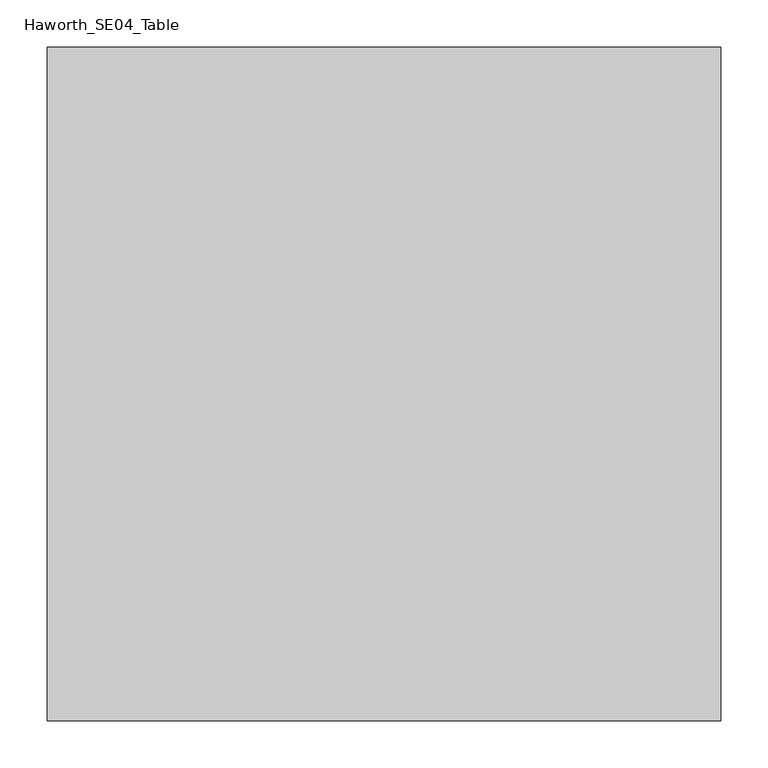
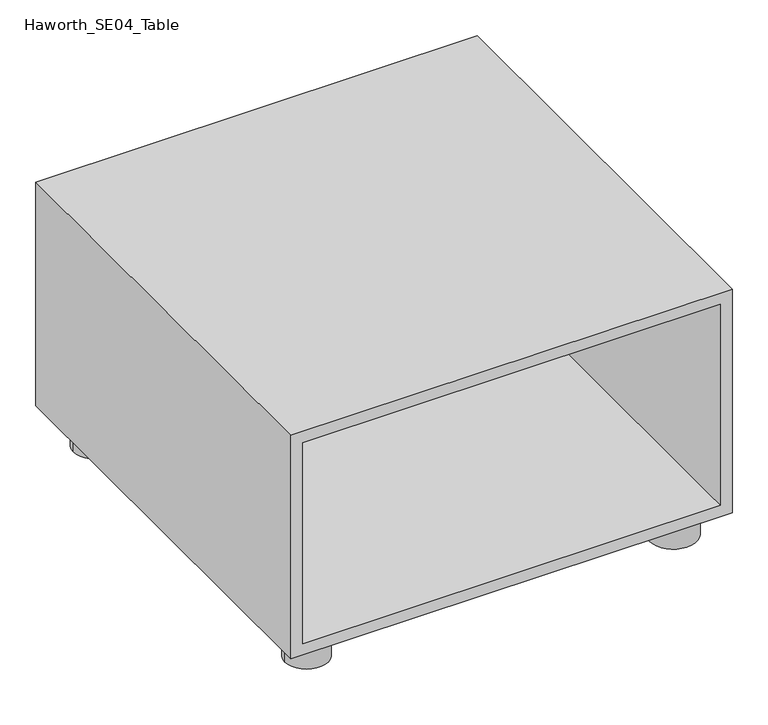
"""IFC4 building model written with IfcOpenShell, lengths in millimetres: furniture geometry, Haworth_SE04_Table."""

from ifc_helpers import new_model, si_unit, point, frame, frame_2d, origin, origin_with_axes, place, context, project, spatial, polyline, circle_curve, trimmed, segment, composite_curve, outline, extrude, source, transform, mapped, element, save


def haworth_se04_table_58ea95a2(model_context):
    return source(origin(), model_context, "Body", "SweptSolid", [
        extrude(outline(polyline([(431.8, -355.6), (50.8, -355.6), (50.8, 355.6), (431.8, 355.6), (431.8, -355.6)]), holes=[polyline([(412.75, -336.55), (412.75, 336.55), (69.85, 336.55), (69.85, -336.55), (412.75, -336.55)])]), frame((0.0, -355.6, 0.0), z_axis=(0.0, 1.0, 0.0), x_axis=(0.0, 0.0, 1.0)), (0.0, 0.0, 1.0), 711.2),
        extrude(outline(composite_curve([segment(trimmed(circle_curve(frame_2d((-295.275, 295.275)), 34.925), [point((-330.2, 295.275))], [point((-260.35, 295.275))], False, "CARTESIAN"), True, "CONTINUOUS"), segment(trimmed(circle_curve(frame_2d((-295.275, 295.275)), 34.925), [point((-260.35, 295.275))], [point((-330.2, 295.275))], False, "CARTESIAN"), True, "CONTINUOUS")], self_intersect=False)), origin_with_axes(), (0.0, 0.0, 1.0), 50.8),
        extrude(outline(composite_curve([segment(trimmed(circle_curve(frame_2d((295.275, 295.275)), 38.1), [point((257.175, 295.275))], [point((333.375, 295.275))], False, "CARTESIAN"), True, "CONTINUOUS"), segment(trimmed(circle_curve(frame_2d((295.275, 295.275)), 38.1), [point((333.375, 295.275))], [point((257.175, 295.275))], False, "CARTESIAN"), True, "CONTINUOUS")], self_intersect=False)), origin_with_axes(), (0.0, 0.0, 1.0), 50.8),
        extrude(outline(composite_curve([segment(trimmed(circle_curve(frame_2d((-295.275, -295.275)), 34.925), [point((-330.2, -295.275))], [point((-260.35, -295.275))], False, "CARTESIAN"), True, "CONTINUOUS"), segment(trimmed(circle_curve(frame_2d((-295.275, -295.275)), 34.925), [point((-260.35, -295.275))], [point((-330.2, -295.275))], False, "CARTESIAN"), True, "CONTINUOUS")], self_intersect=False)), origin_with_axes(), (0.0, 0.0, 1.0), 50.8),
        extrude(outline(composite_curve([segment(trimmed(circle_curve(frame_2d((295.275, -295.275)), 38.1), [point((257.175, -295.275))], [point((333.375, -295.275))], False, "CARTESIAN"), True, "CONTINUOUS"), segment(trimmed(circle_curve(frame_2d((295.275, -295.275)), 38.1), [point((333.375, -295.275))], [point((257.175, -295.275))], False, "CARTESIAN"), True, "CONTINUOUS")], self_intersect=False)), origin_with_axes(), (0.0, 0.0, 1.0), 50.8),
    ])


if __name__ == "__main__":
    model = new_model("IFC4")
    model_context = context("Model", 3, world=origin())
    ifc_project = project(units=[si_unit("LENGTHUNIT", "METRE", prefix="MILLI")], contexts=[model_context])
    site = spatial("IfcSite", under=ifc_project)
    building = spatial("IfcBuilding", under=site)
    placement = place(None, origin())
    haworth_se04_table_shape = haworth_se04_table_58ea95a2(model_context)
    element("IfcFurniture", 1, ObjectType="Haworth_SE04_Table", at=placement, inside=building, context=model_context, shape_type="MappedRepresentation", body=[
        mapped(haworth_se04_table_shape, transform((0.0, 0.0, 0.0), x_axis=(1.0, 0.0, 0.0), y_axis=(0.0, 1.0, 0.0), z_axis=(0.0, 0.0, 1.0))),
    ])
    save(model, "model.ifc")
